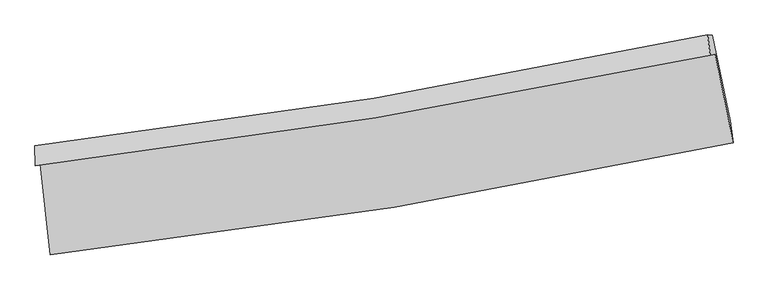
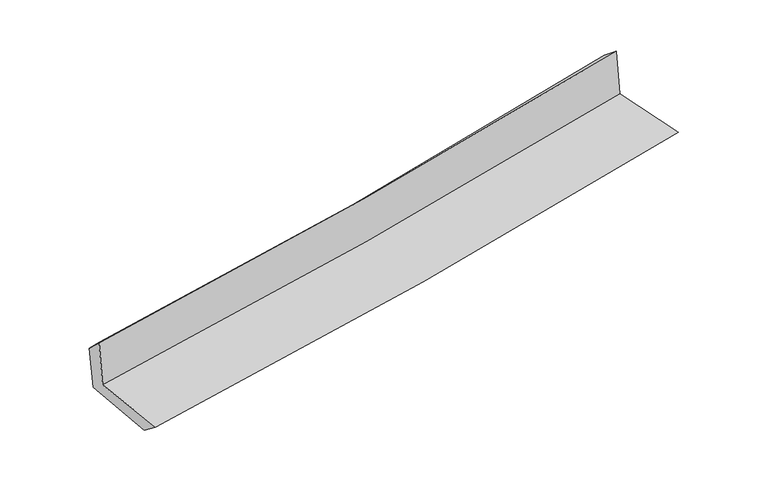
"""IFC4 building model written with IfcOpenShell, lengths in millimetres: proxy geometry."""

from ifc_helpers import new_model, si_unit, frame, origin, place, context, project, spatial, source, transform, mapped, element, save
from ifc_brep_helpers import plane_surface, spline_curve, spline_surface, advanced_brep


def generic_models_d3839496(model_context):
    return source(origin(), model_context, "Body", "AdvancedBrep", [
        advanced_brep(
        [(-2501.8129742, -1886.5127547, 1663.4933691), (-2427.2630882, -2549.6330813, 1653.4534113), (2572.8672692, -1728.3886409, 2103.3111694), (2441.564321, -1080.4379497, 2108.0002404), (-2537.4190231, -1896.6694143, 2069.9353696), (2405.8939326, -1090.6129622, 2515.1766742), (-2541.1242008, -1750.9363263, 1931.8604149), (2386.6163345, -939.8131479, 2394.5105811), (-2507.4021601, -1753.8977689, 1562.3829383), (2421.4212649, -942.6094357, 2024.9515997), (-2433.540693, -2394.4262681, 1532.2000685), (2550.2567948, -1569.0981184, 2000.1082023)],
        [
            (0, 1),
            (1, 2, spline_curve(3, [(-2427.2630882, -2549.6330813, 1653.4534113), (-1584.489088444, -2455.234233977, 1734.456054842), (-744.594560505, -2339.199866418, 1812.598715287), (922.065070317, -2065.072366416, 1962.501154667), (1748.880661772, -1907.358587252, 2034.311080578), (2572.8672692, -1728.3886409, 2103.3111694)], [4, 2, 4], [0.0, 8.336325271802405, 16.599243588148934])),
            (2, 3),
            (3, 0, spline_curve(3, [(2441.564321, -1080.4379497, 2108.0002404), (1627.010069222, -1250.991849609, 2040.036776271), (809.619196572, -1403.226016218, 1969.189426959), (-838.12261053, -1672.244565064, 1821.071937994), (-1668.524169828, -1788.70200033, 1743.750330014), (-2501.8129742, -1886.5127547, 1663.4933691)], [4, 2, 4], [0.0, 8.262918316346529, 16.599243588148934])),
            (4, 0),
            (3, 5),
            (5, 4, spline_curve(3, [(2405.8939326, -1090.6129622, 2515.1766742), (1591.377903828, -1261.155959141, 2446.776896539), (774.011541564, -1413.383133953, 2375.649763466), (-873.708574799, -1682.395495567, 2227.284669501), (-1704.113197494, -1798.85380443, 2149.99803466), (-2537.4190231, -1896.6694143, 2069.9353696)], [4, 2, 4], [0.0, 8.214572019326491, 16.50212149035051])),
            (6, 4),
            (5, 7),
            (7, 6, spline_curve(3, [(2386.6163345, -939.8131479, 2394.5105811), (1575.881829977, -1113.192502559, 2317.221940941), (761.700840825, -1267.262629091, 2240.192786103), (-880.817829267, -1537.981628506, 2085.971433088), (-1709.217018491, -1654.285894741, 2008.783865859), (-2541.1242008, -1750.9363263, 1931.8604149)], [4, 2, 4], [0.0, 8.204141645990578, 16.481168081265533])),
            (8, 6),
            (7, 9),
            (9, 8, spline_curve(3, [(2421.4212649, -942.6094357, 2024.9515997), (1610.482090902, -1116.026269481, 1947.757556716), (796.108869712, -1270.128859831, 1870.782641712), (-846.770985425, -1540.903000417, 1716.589177411), (-1675.338906083, -1657.229854476, 1639.374538332), (-2507.4021601, -1753.8977689, 1562.3829383)], [4, 2, 4], [0.0, 8.194636682990927, 16.462073714107696])),
            (10, 8),
            (9, 11),
            (11, 10, spline_curve(3, [(2550.2567948, -1569.0981184, 2000.1082023), (1730.167514321, -1750.428328401, 1921.722961511), (906.658265012, -1909.664764172, 1843.708784424), (-754.546529036, -2185.168448974, 1687.732784177), (-1592.303109029, -2301.041396537, 1609.777583415), (-2433.540693, -2394.4262681, 1532.2000685)], [4, 2, 4], [0.0, 8.242259656490326, 16.55774273892967])),
            (1, 10),
            (11, 2),
        ],
        [
            spline_surface(3, 3, [[(-2501.8129742, -1886.5127547, 1663.4933691), (-1668.524169839, -1788.702000263, 1743.750329966), (-838.122610651, -1672.244565127, 1821.071937885), (809.619196692, -1403.226016156, 1969.189427067), (1627.010069221, -1250.991849656, 2040.036776265), (2441.564321, -1080.4379497, 2108.0002404)], [(-2476.963012201, -2107.552863568, 1660.146716509), (-1640.512476044, -2010.879411497, 1740.652238262), (-806.946593947, -1894.562998861, 1818.247530294), (847.101154628, -1623.841466271, 1966.960002959), (1667.633600048, -1469.78076223, 2038.128211019), (2485.331970398, -1296.421513445, 2106.437216738)], [(-2452.113050199, -2328.592972432, 1656.800063891), (-1612.500782245, -2233.056822728, 1737.554146529), (-775.770577318, -2116.881432597, 1815.423122752), (884.583112489, -1844.456916387, 1964.730578899), (1708.257130882, -1688.569674769, 2036.21964576), (2529.099619802, -1512.405077155, 2104.874193062)], [(-2427.2630882, -2549.6330813, 1653.4534113), (-1584.489088449, -2455.234233963, 1734.456054825), (-744.594560613, -2339.199866331, 1812.598715162), (922.065070425, -2065.072366502, 1962.501154791), (1748.880661709, -1907.358587344, 2034.311080514), (2572.8672692, -1728.3886409, 2103.3111694)]], [4, 4], [4, 2, 4], [0.0, 2.205995675664042], [0.0, 8.336325271802405, 16.599243588148934]),
            spline_surface(3, 3, [[(-2537.4190231, -1896.6694143, 2069.9353696), (-1704.113197598, -1798.853804565, 2149.998034596), (-873.708574677, -1682.395495524, 2227.284669555), (774.011541443, -1413.383133996, 2375.649763413), (1591.377903735, -1261.155959032, 2446.776896593), (2405.8939326, -1090.6129622, 2515.1766742)], [(-2525.550340138, -1893.283861112, 1934.454702773), (-1692.25018835, -1795.46986981, 2014.58213306), (-861.84658669, -1679.011852085, 2091.880425692), (785.880759837, -1409.997428075, 2240.162984658), (1603.255292223, -1257.767922585, 2311.196856451), (2417.78406206, -1087.221291378, 2379.451196235)], [(-2513.681657162, -1889.898307888, 1798.974035927), (-1680.387179087, -1792.085935018, 1879.166231502), (-849.984598638, -1675.628208566, 1956.476181748), (797.749978297, -1406.611722076, 2104.676205822), (1615.132680732, -1254.379886103, 2175.616816406), (2429.67419154, -1083.829620522, 2243.725718365)], [(-2501.8129742, -1886.5127547, 1663.4933691), (-1668.524169839, -1788.702000263, 1743.750329966), (-838.122610651, -1672.244565127, 1821.071937885), (809.619196692, -1403.226016156, 1969.189427067), (1627.010069221, -1250.991849656, 2040.036776265), (2441.564321, -1080.4379497, 2108.0002404)]], [4, 4], [4, 2, 4], [0.0, 1.3386418845813886], [0.0, 8.28754947102402, 16.50212149035051]),
            spline_surface(3, 3, [[(-2541.1242008, -1750.9363263, 1931.8604149), (-1709.21701844, -1654.285894754, 2008.783865835), (-880.817829205, -1537.981628456, 2085.971433071), (761.700840764, -1267.262629141, 2240.19278612), (1575.881829946, -1113.192502605, 2317.221940915), (2386.6163345, -939.8131479, 2394.5105811)], [(-2539.889141562, -1799.514022299, 1977.885399798), (-1707.515744822, -1702.475198023, 2055.85525542), (-878.448077684, -1586.119584116, 2133.075845219), (765.804407668, -1315.969464062, 2285.345111871), (1581.047187883, -1162.513654715, 2360.406926153), (2393.04220054, -990.079752634, 2434.732612145)], [(-2538.654082338, -1848.091718301, 2023.910384702), (-1705.814471216, -1750.664501296, 2102.926645011), (-876.078326198, -1634.257539865, 2180.180257407), (769.907974538, -1364.676299074, 2330.497437662), (1586.212545798, -1211.834806923, 2403.591911355), (2399.46806656, -1040.346357466, 2474.954643155)], [(-2537.4190231, -1896.6694143, 2069.9353696), (-1704.113197598, -1798.853804565, 2149.998034596), (-873.708574677, -1682.395495524, 2227.284669555), (774.011541443, -1413.383133996, 2375.649763413), (1591.377903735, -1261.155959032, 2446.776896593), (2405.8939326, -1090.6129622, 2515.1766742)]], [4, 4], [4, 2, 4], [0.0, 0.6590469586848836], [0.0, 8.277026435274955, 16.481168081265533]),
            spline_surface(3, 3, [[(-2507.4021601, -1753.8977689, 1562.3829383), (-1675.338906068, -1657.229854357, 1639.374538444), (-846.770985437, -1540.903000346, 1716.589177306), (796.108869724, -1270.128859901, 1870.782641816), (1610.482090774, -1116.026269526, 1947.75755677), (2421.4212649, -942.6094357, 2024.9515997)], [(-2518.642840333, -1752.910621369, 1685.542097156), (-1686.631610192, -1656.248534491, 1762.510980897), (-858.119933379, -1539.929209729, 1839.71659588), (784.639526719, -1269.17344966, 1993.91935657), (1598.948670513, -1115.081680578, 2070.9123515), (2409.819621448, -941.677339793, 2148.137926848)], [(-2529.883520567, -1751.923473831, 1808.701256044), (-1697.924314317, -1655.26721462, 1885.647423382), (-869.468881264, -1538.955419074, 1962.844014497), (773.170183769, -1268.218039382, 2117.056071366), (1587.415250207, -1114.137091553, 2194.067146186), (2398.217977952, -940.745243807, 2271.324253952)], [(-2541.1242008, -1750.9363263, 1931.8604149), (-1709.21701844, -1654.285894754, 2008.783865835), (-880.817829205, -1537.981628456, 2085.971433071), (761.700840764, -1267.262629141, 2240.19278612), (1575.881829946, -1113.192502605, 2317.221940915), (2386.6163345, -939.8131479, 2394.5105811)]], [4, 4], [4, 2, 4], [0.0, 1.2171573190078304], [0.0, 8.267437031116769, 16.462073714107696]),
            spline_surface(3, 3, [[(-2433.540693, -2394.4262681, 1532.2000685), (-1592.30310905, -2301.041396442, 1609.777583333), (-754.546529024, -2185.168448987, 1687.732784194), (906.658265001, -1909.664764159, 1843.708784408), (1730.167514227, -1750.428328433, 1921.722961468), (2550.2567948, -1569.0981184, 2000.1082023)], [(-2458.161182037, -2180.916768348, 1542.261025103), (-1619.981708059, -2086.437549062, 1619.643235039), (-785.288014468, -1970.41329945, 1697.3515819), (869.808466603, -1696.486129416, 1852.733403546), (1690.272373058, -1538.960975465, 1930.401159891), (2507.311618149, -1360.268557501, 2008.389334755)], [(-2482.781671063, -1967.407268652, 1552.321981697), (-1647.660307058, -1871.833701737, 1629.508886737), (-816.029499994, -1755.658149884, 1706.9703796), (832.958668122, -1483.307494644, 1861.758022678), (1650.377231943, -1327.493622494, 1939.079358348), (2464.366441551, -1151.438996599, 2016.670467245)], [(-2507.4021601, -1753.8977689, 1562.3829383), (-1675.338906068, -1657.229854357, 1639.374538444), (-846.770985437, -1540.903000346, 1716.589177306), (796.108869724, -1270.128859901, 1870.782641816), (1610.482090774, -1116.026269526, 1947.75755677), (2421.4212649, -942.6094357, 2024.9515997)]], [4, 4], [4, 2, 4], [0.0, 2.1340810409268576], [0.0, 8.315483082439343, 16.55774273892967]),
            spline_surface(3, 3, [[(-2427.2630882, -2549.6330813, 1653.4534113), (-1584.489088449, -2455.234233963, 1734.456054825), (-744.594560613, -2339.199866331, 1812.598715162), (922.065070425, -2065.072366502, 1962.501154791), (1748.880661709, -1907.358587344, 2034.311080514), (2572.8672692, -1728.3886409, 2103.3111694)], [(-2429.355623129, -2497.897476904, 1613.03563036), (-1587.093761978, -2403.83662146, 1692.896564321), (-747.911883441, -2287.856060532, 1770.976738187), (916.929468593, -2013.26983237, 1922.903698011), (1742.642945887, -1855.048501023, 1996.781707511), (2565.330444405, -1675.291800049, 2068.910180379)], [(-2431.448158071, -2446.161872496, 1572.61784944), (-1589.698435521, -2352.439008945, 1651.337073837), (-751.229206197, -2236.512254786, 1729.354761169), (911.793866832, -1961.467298291, 1883.306241188), (1736.405230049, -1802.738414754, 1959.252334471), (2557.793619595, -1622.194959251, 2034.509191321)], [(-2433.540693, -2394.4262681, 1532.2000685), (-1592.30310905, -2301.041396442, 1609.777583333), (-754.546529024, -2185.168448987, 1687.732784194), (906.658265001, -1909.664764159, 1843.708784408), (1730.167514227, -1750.428328433, 1921.722961468), (2550.2567948, -1569.0981184, 2000.1082023)]], [4, 4], [4, 2, 4], [0.0, 0.6474590755993311], [0.0, 8.373839367463418, 16.67394144260677]),
            plane_surface(frame((2463.1033195, -1225.1600425, 2191.0097445), z_axis=(0.9761895581229624, 0.19716386471615488, 0.09044532636839407), x_axis=(-0.09376205628297574, 0.007533004207554889, 0.9955661357484982))),
            plane_surface(frame((-2491.4270232, -2038.679269, 1735.5542619), z_axis=(-0.9899042040484485, -0.10993329276340147, -0.0894669656879227), x_axis=(-0.11170643426422601, 0.9936273702203295, 0.01504399192383122))),
        ],
        [
            (0, [[1, 2, 3, 4]]),
            (1, [[5, -4, 6, 7]]),
            (2, [[8, -7, 9, 10]]),
            (3, [[11, -10, 12, 13]]),
            (4, [[14, -13, 15, 16]]),
            (5, [[17, -16, 18, -2]]),
            (6, [[-12, -9, -6, -3, -18, -15]]),
            (7, [[-1, -5, -8, -11, -14, -17]]),
        ],
    ),
    ])


if __name__ == "__main__":
    model = new_model("IFC4")
    model_context = context("Model", 3, world=origin())
    ifc_project = project(units=[si_unit("LENGTHUNIT", "METRE", prefix="MILLI")], contexts=[model_context])
    site = spatial("IfcSite", under=ifc_project)
    building = spatial("IfcBuilding", under=site)
    placement = place(None, origin())
    generic_models_shape = generic_models_d3839496(model_context)
    element("IfcBuildingElementProxy", 1, Name="Generic Models", at=placement, inside=building, context=model_context, shape_type="MappedRepresentation", body=[
        mapped(generic_models_shape, transform((0.0, 0.0, 0.0), x_axis=(1.0, 0.0, 0.0), y_axis=(0.0, 1.0, 0.0), z_axis=(0.0, 0.0, 1.0))),
    ])
    save(model, "model.ifc")
